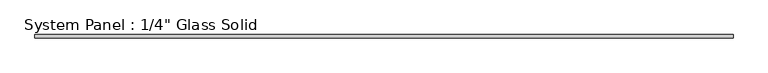
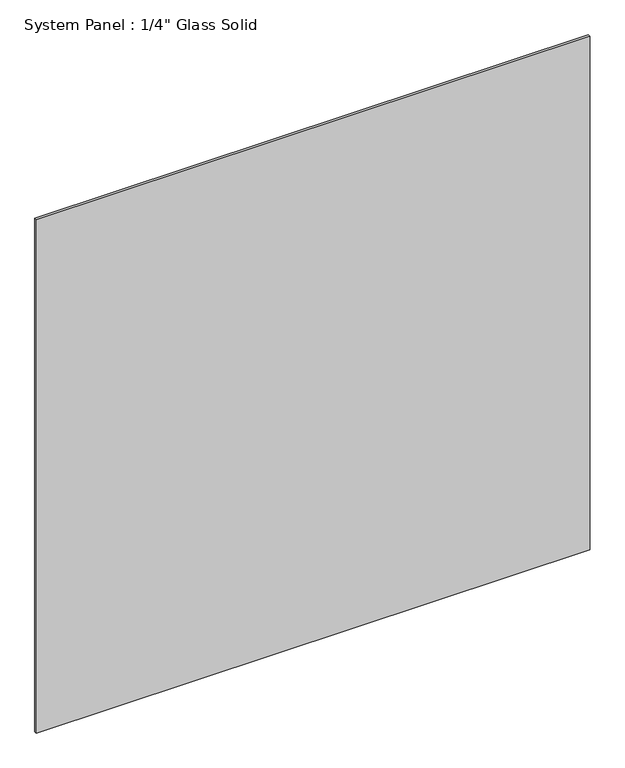
"""IFC4 building model written with IfcOpenShell, lengths in millimetres: plate geometry."""

from ifc_helpers import new_model, si_unit, origin, origin_with_axes, place, context, project, spatial, polyline, outline, extrude, source, transform, mapped, element, save


def plate_325f93ba(model_context):
    return source(origin(), model_context, "Body", "SweptSolid", [
        extrude(outline(polyline([(716.4429024, -3.175), (-716.4429024, -3.175), (-716.4429024, 3.175), (716.4429024, 3.175), (716.4429024, -3.175)])), origin_with_axes(), (0.0, 0.0, 1.0), 1404.0991382),
    ])


if __name__ == "__main__":
    model = new_model("IFC4")
    model_context = context("Model", 3, world=origin())
    ifc_project = project(units=[si_unit("LENGTHUNIT", "METRE", prefix="MILLI")], contexts=[model_context])
    site = spatial("IfcSite", under=ifc_project)
    building = spatial("IfcBuilding", under=site)
    placement = place(None, origin())
    plate_shape = plate_325f93ba(model_context)
    element("IfcPlate", 1, ObjectType="System Panel : 1/4\" Glass Solid", at=placement, inside=building, context=model_context, shape_type="MappedRepresentation", body=[
        mapped(plate_shape, transform((0.0, 0.0, 0.0), x_axis=(1.0, 0.0, 0.0), y_axis=(0.0, 1.0, 0.0), z_axis=(0.0, 0.0, 1.0))),
    ])
    save(model, "model.ifc")
